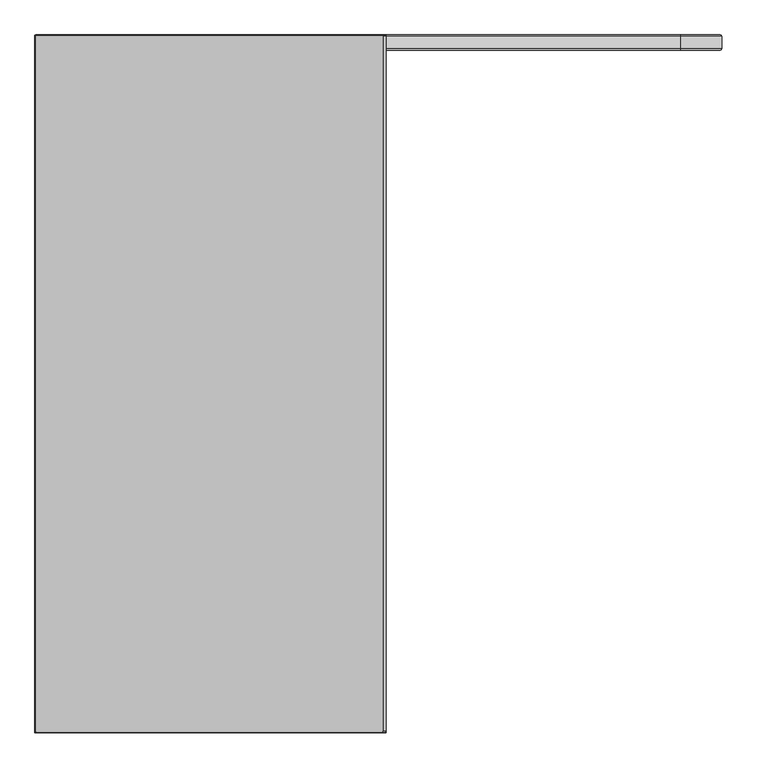
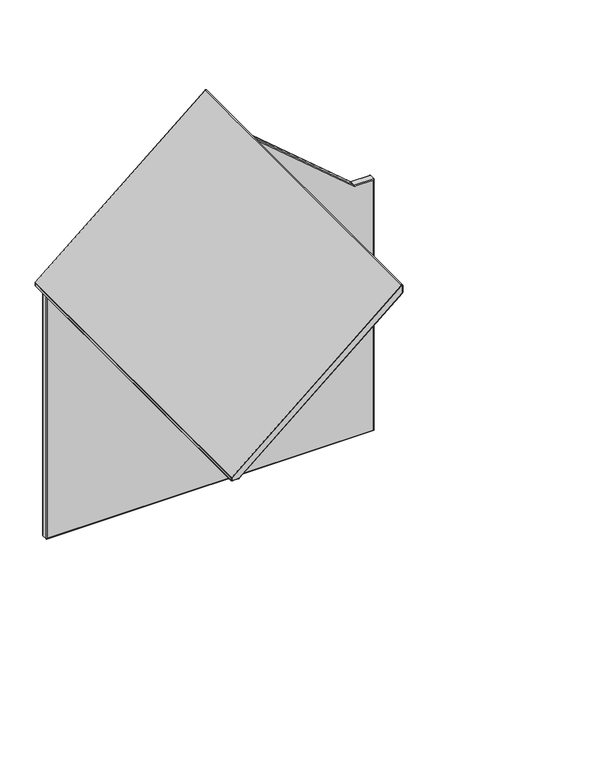
"""IFC4 building model written with IfcOpenShell, lengths in millimetres: furniture geometry."""

from ifc_helpers import new_model, si_unit, point, frame, origin, place, context, project, spatial, circle_curve, ellipse_curve, trimmed, source, transform, mapped, element, save
from ifc_brep_helpers import plane_surface, cylinder_surface, revolved_surface, advanced_brep


def furniture_57dd7f49(model_context):
    return source(origin(), model_context, "Body", "AdvancedBrep", [
        advanced_brep(
        [(0.0, -1868.1268362, 1476.2476814), (1.7353275, -1868.1268362, 1479.994983), (1.7353275, -1866.18391, 1479.994983), (0.0, -1866.18391, 1476.2476814), (2.0258238, -1870.15266, 1476.2476814), (3.0457039, -1870.15266, 1478.4500314), (0.0, -6.1839998, 1476.2476814), (0.0, -4.2410736, 1476.2476814), (0.0, -4.2410736, 1463.9687321), (0.0, -6.1839998, 1463.9687321), (0.0, -1866.18391, 1463.9687321), (0.0, -1868.1268362, 1463.9687321), (2.0258238, -1870.15266, 1463.9687321), (3.96875, -1866.18391, 1459.9999821), (3.96875, -1868.1268362, 1459.9999821), (3.96875, -1870.15266, 1462.0258058), (3.96875, -6.1839998, 1459.9999821), (3.96875, -4.2410736, 1459.9999821), (37.773583, -4.2410736, 1459.9999821), (37.773583, -6.1839998, 1459.9999821), (37.773583, -1866.18391, 1459.9999821), (37.773583, -1868.1268362, 1459.9999821), (37.773583, -1870.15266, 1462.0258058), (41.6970833, -1866.18391, 1461.4397984), (41.6970833, -1868.1268362, 1461.4397984), (40.3867071, -1870.15266, 1462.9847503), (41.6970833, -6.1839998, 1461.4397984), (41.6970833, -4.2410736, 1461.4397984), (938.0299284, -4.2410736, 2221.6791375), (938.0299284, -6.1839998, 2221.6791375), (938.0299284, -1866.18391, 2221.6791375), (938.0299284, -1868.1268362, 2221.6791375), (936.7195522, -1870.15266, 2223.2240894), (940.0000362, -1866.18391, 2225.9334278), (940.0000362, -1868.1268362, 2225.9334278), (937.9742125, -1870.15266, 2225.9334278), (940.0000362, -6.1839998, 2225.9334278), (940.0000362, -4.2410736, 2225.9334278), (940.0000362, -4.2410736, 2264.8850275), (940.0000362, -6.1839998, 2264.8850275), (940.0000362, -1866.18391, 2264.8850275), (940.0000362, -1868.1268362, 2264.8850275), (937.9742125, -1870.15266, 2264.8850275), (931.6761502, -1866.18391, 2268.7397128), (931.6761502, -1868.1268362, 2268.7397128), (932.9865266, -1870.15266, 2267.1947612), (931.6761502, -6.1839998, 2268.7397128), (931.6761502, -4.2410736, 2268.7397128), (1.7353275, -4.2410736, 1479.994983), (1.7353275, -6.1839998, 1479.994983), (2.0258238, -2.2152498, 1476.2476814), (3.0457039, -2.2152498, 1478.4500314), (932.9865266, -2.2152498, 2267.1947612), (937.9742125, -2.2152498, 2264.8850275), (937.9742125, -2.2152498, 2225.9334278), (936.7195522, -2.2152498, 2223.2240894), (40.3867071, -2.2152498, 1462.9847503), (37.773583, -2.2152498, 1462.0258058), (3.96875, -2.2152498, 1462.0258058), (2.0258238, -2.2152498, 1463.9687321)],
        [
            (0, 1, circle_curve(frame((4.9136635, -1868.1268362, 1476.2476814), z_axis=(0.0, 1.0, 0.0), x_axis=(-0.6468363156287652, 0.0, 0.7626288617563621)), 4.9136635)),
            (1, 2),
            (2, 3, circle_curve(frame((4.9136635, -1866.18391, 1476.2476814), z_axis=(0.0, -1.0, 0.0), x_axis=(-0.6468363156287652, 0.0, 0.7626288617563621)), 4.9136635)),
            (3, 0),
            (0, 4, circle_curve(frame((2.0258238, -1868.1268362, 1476.2476814), z_axis=(0.0, 0.0, 1.0), x_axis=(1.0, 0.0, 0.0)), 2.0258238)),
            (4, 5, circle_curve(frame((4.9136635, -1870.15266, 1476.2476814), z_axis=(0.0, 1.0, 0.0), x_axis=(-0.6468363156287652, 0.0, 0.7626288617563621)), 2.8878397)),
            (5, 1, circle_curve(frame((3.0457039, -1868.1268362, 1478.4500314), z_axis=(-0.762628861756362, 0.0, -0.6468363156287653), x_axis=(0.6468363156287653, 0.0, -0.762628861756362)), 2.0258238)),
            (3, 6),
            (6, 7),
            (7, 8),
            (8, 9),
            (9, 10),
            (10, 11),
            (11, 0),
            (11, 12, circle_curve(frame((2.0258238, -1868.1268362, 1463.9687321), z_axis=(0.0, 0.0, 1.0), x_axis=(1.0, 0.0, 0.0)), 2.0258238)),
            (12, 4),
            (10, 13, circle_curve(frame((3.96875, -1866.18391, 1463.9687321), z_axis=(0.0, -1.0, 0.0), x_axis=(-1.0, 0.0, 0.0)), 3.96875)),
            (13, 14),
            (14, 11, circle_curve(frame((3.96875, -1868.1268362, 1463.9687321), z_axis=(0.0, 1.0, 0.0), x_axis=(-1.0, 0.0, 0.0)), 3.96875)),
            (14, 15, circle_curve(frame((3.96875, -1868.1268362, 1462.0258058), z_axis=(-1.0, 0.0, 0.0), x_axis=(0.0, 0.0, 1.0)), 2.0258238)),
            (15, 12, circle_curve(frame((3.96875, -1870.15266, 1463.9687321), z_axis=(0.0, 1.0, 0.0), x_axis=(-1.0, 0.0, 0.0)), 1.9429262)),
            (13, 16),
            (16, 17),
            (17, 18),
            (18, 19),
            (19, 20),
            (20, 21),
            (21, 14),
            (21, 22, circle_curve(frame((37.773583, -1868.1268362, 1462.0258058), z_axis=(-1.0, 0.0, 0.0), x_axis=(0.0, 0.0, 1.0)), 2.0258238)),
            (22, 15),
            (20, 23, circle_curve(frame((37.773583, -1866.18391, 1466.0656603), z_axis=(0.0, -1.0, 0.0), x_axis=(0.0, 0.0, -1.0)), 6.0656783)),
            (23, 24),
            (24, 21, circle_curve(frame((37.773583, -1868.1268362, 1466.0656603), z_axis=(0.0, 1.0, 0.0), x_axis=(0.0, 0.0, -1.0)), 6.0656783)),
            (24, 25, circle_curve(frame((40.3867071, -1868.1268362, 1462.9847503), z_axis=(-0.7626289571119993, 0.0, -0.646836203203148), x_axis=(-0.646836203203148, 0.0, 0.7626289571119993)), 2.0258238)),
            (25, 22, circle_curve(frame((37.773583, -1870.15266, 1466.0656603), z_axis=(0.0, 1.0, 0.0), x_axis=(0.0, 0.0, -1.0)), 4.0398545)),
            (23, 26),
            (26, 27),
            (27, 28),
            (28, 29),
            (29, 30),
            (30, 31),
            (31, 24),
            (31, 32, circle_curve(frame((936.7195522, -1868.1268362, 2223.2240894), z_axis=(-0.7626289571120237, 0.0, -0.6468362032031196), x_axis=(-0.6468362032031195, 0.0, 0.7626289571120235)), 2.0258238)),
            (32, 25),
            (30, 33, circle_curve(frame((934.4215826, -1866.18391, 2225.9334278), z_axis=(0.0, -1.0, 0.0), x_axis=(0.6468362032031121, 0.0, -0.7626289571120298)), 5.5784536)),
            (33, 34),
            (34, 31, circle_curve(frame((934.4215826, -1868.1268362, 2225.9334278), z_axis=(0.0, 1.0, 0.0), x_axis=(0.6468362032031121, 0.0, -0.7626289571120298)), 5.5784536)),
            (34, 35, circle_curve(frame((937.9742125, -1868.1268362, 2225.9334278), z_axis=(0.0, 0.0, -0.9999999999999999), x_axis=(-0.9999999999999999, 0.0, 0.0)), 2.0258238)),
            (35, 32, circle_curve(frame((934.4215826, -1870.15266, 2225.9334278), z_axis=(0.0, 1.0, 0.0), x_axis=(0.6468362032031121, 0.0, -0.7626289571120298)), 3.5526298)),
            (33, 36),
            (36, 37),
            (37, 38),
            (38, 39),
            (39, 40),
            (40, 41),
            (41, 34),
            (41, 42, circle_curve(frame((937.9742125, -1868.1268362, 2264.8850275), z_axis=(0.0, 0.0, -1.0), x_axis=(-1.0, 0.0, 0.0)), 2.0258238)),
            (42, 35),
            (40, 43, circle_curve(frame((934.9455655, -1866.18391, 2264.8850275), z_axis=(0.0, -1.0, 0.0), x_axis=(1.0, 0.0, 0.0)), 5.0544708)),
            (43, 44),
            (44, 41, circle_curve(frame((934.9455655, -1868.1268362, 2264.8850275), z_axis=(0.0, 1.0, 0.0), x_axis=(1.0, 0.0, 0.0)), 5.0544708)),
            (44, 45, circle_curve(frame((932.9865266, -1868.1268362, 2267.1947612), z_axis=(0.7626288617564152, 0.0, 0.6468363156287026), x_axis=(0.6468363156287026, 0.0, -0.7626288617564152)), 2.0258238)),
            (45, 42, circle_curve(frame((934.9455655, -1870.15266, 2264.8850275), z_axis=(0.0, 1.0, 0.0), x_axis=(1.0, 0.0, 0.0)), 3.028647)),
            (1, 44),
            (43, 46),
            (46, 47),
            (47, 48),
            (48, 49),
            (49, 2),
            (5, 45),
            (9, 16, circle_curve(frame((3.96875, -6.1839998, 1463.9687321), z_axis=(0.0, -1.0, 0.0), x_axis=(1.0, 0.0, 0.0)), 3.96875)),
            (19, 26, circle_curve(frame((37.773583, -6.1839998, 1466.0656603), z_axis=(0.0, -1.0, 0.0), x_axis=(1.0, 0.0, 0.0)), 6.0656783)),
            (29, 36, circle_curve(frame((934.4215826, -6.1839998, 2225.9334278), z_axis=(0.0, -1.0, 0.0), x_axis=(1.0, 0.0, 0.0)), 5.5784536)),
            (39, 46, circle_curve(frame((934.9455655, -6.1839998, 2264.8850275), z_axis=(0.0, -1.0, 0.0), x_axis=(1.0, 0.0, 0.0)), 5.0544708)),
            (49, 6, circle_curve(frame((4.9136635, -6.1839998, 1476.2476814), z_axis=(0.0, -1.0, 0.0), x_axis=(1.0, 0.0, 0.0)), 4.9136635)),
            (50, 51, circle_curve(frame((4.9136635, -2.2152498, 1476.2476814), z_axis=(0.0, 1.0, 0.0), x_axis=(-0.6468363156287614, 0.0, 0.7626288617563652)), 2.8878397)),
            (51, 52),
            (52, 53, circle_curve(frame((934.9455655, -2.2152498, 2264.8850275), z_axis=(0.0, 1.0, 0.0), x_axis=(1.0, 0.0, 0.0)), 3.028647)),
            (53, 54),
            (54, 55, circle_curve(frame((934.4215826, -2.2152498, 2225.9334278), z_axis=(0.0, 1.0, 0.0), x_axis=(0.6468362032031121, 0.0, -0.7626289571120298)), 3.5526298)),
            (55, 56),
            (56, 57, circle_curve(frame((37.773583, -2.2152498, 1466.0656603), z_axis=(0.0, 1.0, 0.0), x_axis=(0.0, 0.0, -1.0)), 4.0398545)),
            (57, 58),
            (58, 59, circle_curve(frame((3.96875, -2.2152498, 1463.9687321), z_axis=(0.0, 1.0, 0.0), x_axis=(-1.0, 0.0, 0.0)), 1.9429262)),
            (59, 50),
            (48, 7, circle_curve(frame((4.9136635, -4.2410736, 1476.2476814), z_axis=(0.0, -1.0, 0.0), x_axis=(-0.6468363156287614, 0.0, 0.7626288617563652)), 4.9136635)),
            (48, 51, circle_curve(frame((3.0457039, -4.2410736, 1478.4500314), z_axis=(-0.7626288617563652, 0.0, -0.6468363156287614), x_axis=(0.6468363156287614, 0.0, -0.7626288617563652)), 2.0258238)),
            (50, 7, circle_curve(frame((2.0258238, -4.2410736, 1476.2476814), z_axis=(0.0, 0.0, 1.0), x_axis=(1.0, 0.0, 0.0)), 2.0258238)),
            (59, 8, circle_curve(frame((2.0258238, -4.2410736, 1463.9687321), z_axis=(0.0, 0.0, 1.0), x_axis=(1.0, 0.0, 0.0)), 2.0258238)),
            (8, 17, circle_curve(frame((3.96875, -4.2410736, 1463.9687321), z_axis=(0.0, -1.0, 0.0), x_axis=(-1.0, 0.0, 0.0)), 3.96875)),
            (58, 17, circle_curve(frame((3.96875, -4.2410736, 1462.0258058), z_axis=(-1.0, 0.0, 0.0), x_axis=(0.0, 0.0, 1.0)), 2.0258238)),
            (57, 18, circle_curve(frame((37.773583, -4.2410736, 1462.0258058), z_axis=(-1.0, 0.0, 0.0), x_axis=(0.0, 0.0, 1.0)), 2.0258238)),
            (18, 27, circle_curve(frame((37.773583, -4.2410736, 1466.0656603), z_axis=(0.0, -1.0, 0.0), x_axis=(0.0, 0.0, -1.0)), 6.0656783)),
            (56, 27, circle_curve(frame((40.3867071, -4.2410736, 1462.9847503), z_axis=(-0.7626289571120222, 0.0, -0.6468362032031212), x_axis=(-0.6468362032031212, 0.0, 0.7626289571120222)), 2.0258238)),
            (55, 28, circle_curve(frame((936.7195522, -4.2410736, 2223.2240894), z_axis=(-0.7626289571120238, 0.0, -0.6468362032031193), x_axis=(-0.6468362032031193, 0.0, 0.7626289571120238)), 2.0258238)),
            (28, 37, circle_curve(frame((934.4215826, -4.2410736, 2225.9334278), z_axis=(0.0, -1.0, 0.0), x_axis=(0.6468362032031121, 0.0, -0.7626289571120298)), 5.5784536)),
            (54, 37, circle_curve(frame((937.9742125, -4.2410736, 2225.9334278), z_axis=(0.0, 0.0, -1.0), x_axis=(-1.0, 0.0, 0.0)), 2.0258238)),
            (53, 38, circle_curve(frame((937.9742125, -4.2410736, 2264.8850275), z_axis=(0.0, 0.0, -1.0), x_axis=(-1.0, 0.0, 0.0)), 2.0258238)),
            (38, 47, circle_curve(frame((934.9455655, -4.2410736, 2264.8850275), z_axis=(0.0, -1.0, 0.0), x_axis=(1.0, 0.0, 0.0)), 5.0544708)),
            (52, 47, circle_curve(frame((932.9865266, -4.2410736, 2267.1947612), z_axis=(0.7626288617564162, 0.0, 0.6468363156287013), x_axis=(0.6468363156287013, 0.0, -0.7626288617564162)), 2.0258238)),
        ],
        [
            cylinder_surface(frame((4.9136635, -1866.18391, 1476.2476814), z_axis=(0.0, -1.0, 0.0), x_axis=(-0.6468363156287652, 0.0, 0.7626288617563621)), 4.9136635),
            revolved_surface(trimmed(ellipse_curve(frame((3.0457039, -1868.1268362, 1478.4500314), z_axis=(0.762628861756362, 0.0, 0.6468363156287653), x_axis=(0.6468363156287653, 0.0, -0.762628861756362)), 2.0258238, 2.0258238), [point((1.7353275, -1868.1268362, 1479.994983))], [point((3.0457039, -1870.15266, 1478.4500314))], True, "CARTESIAN"), (4.9136635, -1866.18391, 1476.2476814), (0.0, -1.0, 0.0)),
            plane_surface(frame((0.0, -1866.18391, 1476.2476814), z_axis=(-1.0, 0.0, 0.0), x_axis=(0.0, 0.0, -1.0))),
            cylinder_surface(frame((2.0258238, -1868.1268362, 1476.2476814), z_axis=(0.0, 0.0, 1.0), x_axis=(1.0, 0.0, 0.0)), 2.0258238),
            cylinder_surface(frame((3.96875, -1866.18391, 1463.9687321), z_axis=(0.0, -1.0, 0.0), x_axis=(-1.0, 0.0, 0.0)), 3.96875),
            revolved_surface(trimmed(ellipse_curve(frame((2.0258238, -1868.1268362, 1463.9687321), z_axis=(0.0, 0.0, 1.0), x_axis=(1.0, 0.0, 0.0)), 2.0258238, 2.0258238), [point((0.0, -1868.1268362, 1463.9687321))], [point((2.0258238, -1870.15266, 1463.9687321))], True, "CARTESIAN"), (3.96875, -1866.18391, 1463.9687321), (0.0, -1.0, 0.0)),
            plane_surface(frame((3.96875, -1866.18391, 1459.9999821), z_axis=(0.0, 0.0, -1.0), x_axis=(1.0, 0.0, 0.0))),
            cylinder_surface(frame((3.96875, -1868.1268362, 1462.0258058), z_axis=(-1.0, 0.0, 0.0), x_axis=(0.0, 0.0, 1.0)), 2.0258238),
            cylinder_surface(frame((37.773583, -1866.18391, 1466.0656603), z_axis=(0.0, -1.0, 0.0), x_axis=(0.0, 0.0, -1.0)), 6.0656783),
            revolved_surface(trimmed(ellipse_curve(frame((37.773583, -1868.1268362, 1462.0258058), z_axis=(-1.0, 0.0, 0.0), x_axis=(0.0, 0.0, 1.0)), 2.0258238, 2.0258238), [point((37.773583, -1868.1268362, 1459.9999821))], [point((37.773583, -1870.15266, 1462.0258058))], True, "CARTESIAN"), (37.773583, -1866.18391, 1466.0656603), (0.0, -1.0, 0.0)),
            plane_surface(frame((41.6970833, -1866.18391, 1461.4397984), z_axis=(0.6468362032031193, 0.0, -0.7626289571120237), x_axis=(0.7626289571120237, 0.0, 0.6468362032031193))),
            cylinder_surface(frame((40.3867071, -1868.1268362, 1462.9847503), z_axis=(-0.7626289571120235, 0.0, -0.6468362032031195), x_axis=(-0.6468362032031195, 0.0, 0.7626289571120235)), 2.0258238),
            cylinder_surface(frame((934.4215826, -1866.18391, 2225.9334278), z_axis=(0.0, -1.0, 0.0), x_axis=(0.6468362032031121, 0.0, -0.7626289571120298)), 5.5784536),
            revolved_surface(trimmed(ellipse_curve(frame((936.7195522, -1868.1268362, 2223.2240894), z_axis=(-0.7626289571120297, 0.0, -0.6468362032031122), x_axis=(-0.6468362032031122, 0.0, 0.7626289571120297)), 2.0258238, 2.0258238), [point((938.0299284, -1868.1268362, 2221.6791375))], [point((936.7195522, -1870.15266, 2223.2240894))], True, "CARTESIAN"), (934.4215826, -1866.18391, 2225.9334278), (0.0, -1.0, 0.0)),
            plane_surface(frame((940.0000362, -1866.18391, 2225.9334278), z_axis=(1.0, 0.0, 0.0), x_axis=(0.0, 0.0, 1.0))),
            cylinder_surface(frame((937.9742125, -1868.1268362, 2225.9334278), z_axis=(0.0, 0.0, -1.0), x_axis=(-1.0, 0.0, 0.0)), 2.0258238),
            cylinder_surface(frame((934.9455655, -1866.18391, 2264.8850275), z_axis=(0.0, -1.0, 0.0), x_axis=(1.0, 0.0, 0.0)), 5.0544708),
            revolved_surface(trimmed(ellipse_curve(frame((937.9742125, -1868.1268362, 2264.8850275), z_axis=(0.0, 0.0, -1.0), x_axis=(-1.0, 0.0, 0.0)), 2.0258238, 2.0258238), [point((940.0000362, -1868.1268362, 2264.8850275))], [point((937.9742125, -1870.15266, 2264.8850275))], True, "CARTESIAN"), (934.9455655, -1866.18391, 2264.8850275), (0.0, -1.0, 0.0)),
            plane_surface(frame((931.6761502, -1866.18391, 2268.7397128), z_axis=(-0.6468363156287368, 0.0, 0.7626288617563862), x_axis=(-0.7626288617563862, 0.0, -0.6468363156287368))),
            cylinder_surface(frame((932.9865266, -1868.1268362, 2267.1947612), z_axis=(0.762628861756386, 0.0, 0.646836315628737), x_axis=(0.646836315628737, 0.0, -0.762628861756386)), 2.0258238),
            plane_surface(frame((932.9865266, -1870.15266, 2267.1947612), z_axis=(0.0, -1.0000000000000002, 0.0), x_axis=(-0.7626288617563861, 0.0, -0.646836315628737))),
            cylinder_surface(frame((3.96875, -6.1839998, 1463.9687321), z_axis=(0.0, -1.0, 0.0), x_axis=(1.0, 0.0, 0.0)), 3.96875),
            cylinder_surface(frame((37.773583, -6.1839998, 1466.0656603), z_axis=(0.0, -1.0, 0.0), x_axis=(1.0, 0.0, 0.0)), 6.0656783),
            cylinder_surface(frame((934.4215826, -6.1839998, 2225.9334278), z_axis=(0.0, -1.0, 0.0), x_axis=(1.0, 0.0, 0.0)), 5.5784536),
            cylinder_surface(frame((934.9455655, -6.1839998, 2264.8850275), z_axis=(0.0, -1.0, 0.0), x_axis=(1.0, 0.0, 0.0)), 5.0544708),
            cylinder_surface(frame((4.9136635, -6.1839998, 1476.2476814), z_axis=(0.0, -1.0, 0.0), x_axis=(1.0, 0.0, 0.0)), 4.9136635),
            plane_surface(frame((935.8476724, -2.2152498, 2224.2520479), z_axis=(0.0, 1.0, 0.0), x_axis=(-0.7626289571120236, 0.0, -0.6468362032031195))),
            cylinder_surface(frame((4.9136635, -6.1839998, 1476.2476814), z_axis=(0.0, -1.0, 0.0), x_axis=(-0.6468363156287614, 0.0, 0.7626288617563652)), 4.9136635),
            revolved_surface(trimmed(ellipse_curve(frame((3.0457039, -4.2410736, 1478.4500314), z_axis=(0.7626288617563652, 0.0, 0.6468363156287614), x_axis=(0.6468363156287614, 0.0, -0.7626288617563652)), 2.0258238, 2.0258238), [point((3.0457039, -2.2152498, 1478.4500314))], [point((1.7353275, -4.2410736, 1479.994983))], True, "CARTESIAN"), (4.9136635, -6.1839998, 1476.2476814), (0.0, -1.0, 0.0)),
            cylinder_surface(frame((2.0258238, -4.2410736, 1476.2476814), z_axis=(0.0, 0.0, 1.0), x_axis=(1.0, 0.0, 0.0)), 2.0258238),
            cylinder_surface(frame((3.96875, -6.1839998, 1463.9687321), z_axis=(0.0, -1.0, 0.0), x_axis=(-1.0, 0.0, 0.0)), 3.96875),
            revolved_surface(trimmed(ellipse_curve(frame((2.0258238, -4.2410736, 1463.9687321), z_axis=(0.0, 0.0, 1.0), x_axis=(1.0, 0.0, 0.0)), 2.0258238, 2.0258238), [point((2.0258238, -2.2152498, 1463.9687321))], [point((0.0, -4.2410736, 1463.9687321))], True, "CARTESIAN"), (3.96875, -6.1839998, 1463.9687321), (0.0, -1.0, 0.0)),
            cylinder_surface(frame((3.96875, -4.2410736, 1462.0258058), z_axis=(-1.0, 0.0, 0.0), x_axis=(0.0, 0.0, 1.0)), 2.0258238),
            cylinder_surface(frame((37.773583, -6.1839998, 1466.0656603), z_axis=(0.0, -1.0, 0.0), x_axis=(0.0, 0.0, -1.0)), 6.0656783),
            revolved_surface(trimmed(ellipse_curve(frame((37.773583, -4.2410736, 1462.0258058), z_axis=(-1.0, 0.0, 0.0), x_axis=(0.0, 0.0, 1.0)), 2.0258238, 2.0258238), [point((37.773583, -2.2152498, 1462.0258058))], [point((37.773583, -4.2410736, 1459.9999821))], True, "CARTESIAN"), (37.773583, -6.1839998, 1466.0656603), (0.0, -1.0, 0.0)),
            cylinder_surface(frame((40.3867071, -4.2410736, 1462.9847503), z_axis=(-0.7626289571120238, 0.0, -0.6468362032031193), x_axis=(-0.6468362032031193, 0.0, 0.7626289571120238)), 2.0258238),
            cylinder_surface(frame((934.4215826, -6.1839998, 2225.9334278), z_axis=(0.0, -1.0, 0.0), x_axis=(0.6468362032031121, 0.0, -0.7626289571120298)), 5.5784536),
            revolved_surface(trimmed(ellipse_curve(frame((936.7195522, -4.2410736, 2223.2240894), z_axis=(-0.7626289571120299, 0.0, -0.6468362032031119), x_axis=(-0.6468362032031119, 0.0, 0.7626289571120299)), 2.0258238, 2.0258238), [point((936.7195522, -2.2152498, 2223.2240894))], [point((938.0299284, -4.2410736, 2221.6791375))], True, "CARTESIAN"), (934.4215826, -6.1839998, 2225.9334278), (0.0, -1.0, 0.0)),
            cylinder_surface(frame((937.9742125, -4.2410736, 2225.9334278), z_axis=(0.0, 0.0, -1.0), x_axis=(-1.0, 0.0, 0.0)), 2.0258238),
            revolved_surface(trimmed(ellipse_curve(frame((937.9742125, -4.2410736, 2264.8850275), z_axis=(0.0, 0.0, -1.0), x_axis=(-1.0, 0.0, 0.0)), 2.0258238, 2.0258238), [point((937.9742125, -2.2152498, 2264.8850275))], [point((940.0000362, -4.2410736, 2264.8850275))], True, "CARTESIAN"), (934.9455655, -6.1839998, 2264.8850275), (0.0, -1.0, 0.0)),
            cylinder_surface(frame((932.9865266, -4.2410736, 2267.1947612), z_axis=(0.7626288617563863, 0.0, 0.6468363156287368), x_axis=(0.6468363156287368, 0.0, -0.7626288617563863)), 2.0258238),
        ],
        [
            (0, [[1, 2, 3, 4]]),
            (1, [[-1, 5, 6, 7]]),
            (2, [[-4, 8, 9, 10, 11, 12, 13, 14]]),
            (3, [[-5, -14, 15, 16]]),
            (4, [[-13, 17, 18, 19]]),
            (5, [[-15, -19, 20, 21]]),
            (6, [[-18, 22, 23, 24, 25, 26, 27, 28]]),
            (7, [[-20, -28, 29, 30]]),
            (8, [[-27, 31, 32, 33]]),
            (9, [[-29, -33, 34, 35]]),
            (10, [[-32, 36, 37, 38, 39, 40, 41, 42]]),
            (11, [[-34, -42, 43, 44]]),
            (12, [[-41, 45, 46, 47]]),
            (13, [[-43, -47, 48, 49]]),
            (14, [[-46, 50, 51, 52, 53, 54, 55, 56]]),
            (15, [[-48, -56, 57, 58]]),
            (16, [[-55, 59, 60, 61]]),
            (17, [[-57, -61, 62, 63]]),
            (18, [[-2, 64, -60, 65, 66, 67, 68, 69]]),
            (19, [[-7, 70, -62, -64]]),
            (20, [[-6, -16, -21, -30, -35, -44, -49, -58, -63, -70]]),
            (21, [[-12, 71, -22, -17]]),
            (22, [[-26, 72, -36, -31]]),
            (23, [[-40, 73, -50, -45]]),
            (24, [[-54, 74, -65, -59]]),
            (25, [[-69, 75, -8, -3]]),
            (26, [[76, 77, 78, 79, 80, 81, 82, 83, 84, 85]]),
            (27, [[-68, 86, -9, -75]]),
            (28, [[-86, 87, -76, 88]]),
            (29, [[-88, -85, 89, -10]]),
            (30, [[-11, 90, -23, -71]]),
            (31, [[-89, -84, 91, -90]]),
            (32, [[-91, -83, 92, -24]]),
            (33, [[-25, 93, -37, -72]]),
            (34, [[-92, -82, 94, -93]]),
            (35, [[-94, -81, 95, -38]]),
            (36, [[-39, 96, -51, -73]]),
            (37, [[-95, -80, 97, -96]]),
            (38, [[-97, -79, 98, -52]]),
            (24, [[-53, 99, -66, -74]]),
            (39, [[-98, -78, 100, -99]]),
            (40, [[-87, -67, -100, -77]]),
        ],
    ),
        advanced_brep(
        [(1729.6212947, -38.7095386, 1458.9687466), (1728.1650089, -42.6782886, 1454.9999966), (1835.0000576, -42.6782886, 1454.9999966), (1838.9688076, -38.7095386, 1458.9687466), (1838.9688076, -6.1657886, 1458.9687466), (1729.6212947, -6.1657886, 1458.9687466), (1835.0000576, -2.1970386, 1454.9999966), (1728.1650089, -2.1970386, 1454.9999966), (1835.0000576, -42.6782886, 5.0000003), (1838.9688076, -38.7095386, 1.0312503), (1838.9688076, -6.1657886, 1.0312503), (1835.0000576, -2.1970386, 5.0000003), (45.0000013, -42.6782886, 5.0000003), (41.0312513, -38.7095386, 1.0312503), (41.0312513, -6.1657886, 1.0312503), (45.0000013, -2.1970386, 5.0000003), (45.0000013, -42.6782886, 1454.9999966), (41.0312513, -38.7095386, 1458.9687466), (41.0312513, -6.1657886, 1458.9687466), (45.0000013, -2.1970386, 1454.9999966), (151.8349909, -42.6782886, 1454.9999966), (150.3787052, -38.7095386, 1458.9687466), (150.3787052, -6.1657886, 1458.9687466), (151.8349909, -2.1970386, 1454.9999966), (940.0000362, -42.6782886, 2123.4131218), (940.0000364, -38.7095386, 2128.616893), (940.0000364, -6.1657886, 2128.616893), (940.0000362, -2.1970386, 2123.4131218)],
        [
            (0, 1, ellipse_curve(frame((1728.1650089, -38.7095386, 1454.9999966), z_axis=(0.9387939160823763, 0.0, -0.34447929274009526), x_axis=(-0.3444792927400953, 0.0, -0.9387939160823763)), 4.2274986, 3.96875)),
            (1, 2),
            (2, 3, ellipse_curve(frame((1835.0000576, -38.7095386, 1454.9999966), z_axis=(-0.7071067811865469, 0.0, 0.707106781186548), x_axis=(-0.7071067811865481, 0.0, -0.7071067811865468)), 5.6126601, 3.96875)),
            (3, 0),
            (3, 4),
            (4, 5),
            (5, 0),
            (4, 6, ellipse_curve(frame((1835.0000576, -6.1657886, 1454.9999966), z_axis=(-0.7071067811865469, 0.0, 0.707106781186548), x_axis=(-0.7071067811865481, 0.0, -0.7071067811865468)), 5.6126601, 3.96875)),
            (6, 7),
            (7, 5, ellipse_curve(frame((1728.1650089, -6.1657886, 1454.9999966), z_axis=(0.9387939160823763, 0.0, -0.34447929274009526), x_axis=(-0.3444792927400953, 0.0, -0.9387939160823763)), 4.2274986, 3.96875)),
            (2, 8),
            (8, 9, ellipse_curve(frame((1835.0000576, -38.7095386, 5.0000003), z_axis=(0.7071067811865493, 0.0, 0.7071067811865457), x_axis=(-0.7071067811865457, 0.0, 0.7071067811865495)), 5.6126601, 3.96875)),
            (9, 3),
            (9, 10),
            (10, 4),
            (10, 11, ellipse_curve(frame((1835.0000576, -6.1657886, 5.0000003), z_axis=(0.7071067811865493, 0.0, 0.7071067811865457), x_axis=(-0.7071067811865457, 0.0, 0.7071067811865495)), 5.6126601, 3.96875)),
            (11, 6),
            (8, 12),
            (12, 13, ellipse_curve(frame((45.0000013, -38.7095386, 5.0000003), z_axis=(0.7071067811865456, 0.0, -0.7071067811865496), x_axis=(0.7071067811865495, 0.0, 0.7071067811865456)), 5.6126601, 3.96875)),
            (13, 9),
            (13, 14),
            (14, 10),
            (14, 15, ellipse_curve(frame((45.0000013, -6.1657886, 5.0000003), z_axis=(0.7071067811865456, 0.0, -0.7071067811865496), x_axis=(0.7071067811865495, 0.0, 0.7071067811865456)), 5.6126601, 3.96875)),
            (15, 11),
            (12, 16),
            (16, 17, ellipse_curve(frame((45.0000013, -38.7095386, 1454.9999966), z_axis=(-0.7071067811865493, 0.0, -0.7071067811865458), x_axis=(0.7071067811865458, 0.0, -0.7071067811865492)), 5.6126601, 3.96875)),
            (17, 13),
            (17, 18),
            (18, 14),
            (18, 19, ellipse_curve(frame((45.0000013, -6.1657886, 1454.9999966), z_axis=(-0.7071067811865493, 0.0, -0.7071067811865458), x_axis=(0.7071067811865458, 0.0, -0.7071067811865492)), 5.6126601, 3.96875)),
            (19, 15),
            (16, 20),
            (20, 21, ellipse_curve(frame((151.8349909, -38.7095386, 1454.9999966), z_axis=(-0.9387939239161311, 0.0, -0.34447927139111495), x_axis=(-0.34447927139111495, 0.0, 0.9387939239161311)), 4.2274986, 3.96875)),
            (21, 17),
            (21, 22),
            (22, 18),
            (22, 23, ellipse_curve(frame((151.8349909, -6.1657886, 1454.9999966), z_axis=(-0.9387939239161311, 0.0, -0.34447927139111495), x_axis=(-0.34447927139111495, 0.0, 0.9387939239161311)), 4.2274986, 3.96875)),
            (23, 19),
            (20, 24),
            (24, 25, ellipse_curve(frame((940.0000362, -38.7095386, 2123.4131218), z_axis=(-0.9999999999999998, 0.0, 2.2740857778786807e-08), x_axis=(-2.274085794096256e-08, 0.0, -0.9999999999999997)), 5.2037712, 3.96875)),
            (25, 21),
            (25, 26),
            (26, 22),
            (26, 27, ellipse_curve(frame((940.0000362, -6.1657886, 2123.4131218), z_axis=(-0.9999999999999998, 0.0, 2.2740857778786807e-08), x_axis=(-2.274085794096256e-08, 0.0, -0.9999999999999997)), 5.2037712, 3.96875)),
            (27, 23),
            (0, 25),
            (24, 1),
            (5, 26),
            (7, 27),
        ],
        [
            cylinder_surface(frame((1728.1650089, -38.7095386, 1454.9999966), z_axis=(-1.0, 0.0, 0.0), x_axis=(0.0, 0.0, 1.0)), 3.96875),
            plane_surface(frame((1729.6212947, -38.7095386, 1458.9687466), z_axis=(0.0, 0.0, 1.0), x_axis=(1.0, 0.0, 0.0))),
            cylinder_surface(frame((1728.1650089, -6.1657886, 1454.9999966), z_axis=(-1.0, 0.0, 0.0), x_axis=(0.0, 0.0, 1.0)), 3.96875),
            cylinder_surface(frame((1835.0000576, -38.7095386, 1454.9999966), z_axis=(0.0, 0.0, 1.0), x_axis=(1.0, 0.0, 0.0)), 3.96875),
            plane_surface(frame((1838.9688076, -38.7095386, 1458.9687466), z_axis=(1.0, 0.0, 0.0), x_axis=(0.0, 0.0, -1.0))),
            cylinder_surface(frame((1835.0000576, -6.1657886, 1454.9999966), z_axis=(0.0, 0.0, 1.0), x_axis=(1.0, 0.0, 0.0)), 3.96875),
            cylinder_surface(frame((1835.0000576, -38.7095386, 5.0000003), z_axis=(1.0, 0.0, 0.0), x_axis=(0.0, 0.0, -1.0)), 3.96875),
            plane_surface(frame((1838.9688076, -38.7095386, 1.0312503), z_axis=(0.0, 0.0, -1.0), x_axis=(-1.0, 0.0, 0.0))),
            cylinder_surface(frame((1835.0000576, -6.1657886, 5.0000003), z_axis=(1.0, 0.0, 0.0), x_axis=(0.0, 0.0, -1.0)), 3.96875),
            cylinder_surface(frame((45.0000013, -38.7095386, 5.0000003), z_axis=(0.0, 0.0, -1.0), x_axis=(-1.0, 0.0, 0.0)), 3.96875),
            plane_surface(frame((41.0312513, -38.7095386, 1.0312503), z_axis=(-1.0, 0.0, 0.0), x_axis=(0.0, 0.0, 1.0))),
            cylinder_surface(frame((45.0000013, -6.1657886, 5.0000003), z_axis=(0.0, 0.0, -1.0), x_axis=(-1.0, 0.0, 0.0)), 3.96875),
            cylinder_surface(frame((45.0000013, -38.7095386, 1454.9999966), z_axis=(-1.0, 0.0, 0.0), x_axis=(0.0, 0.0, 1.0)), 3.96875),
            plane_surface(frame((41.0312513, -38.7095386, 1458.9687466), z_axis=(0.0, 0.0, 1.0), x_axis=(1.0, 0.0, 0.0))),
            cylinder_surface(frame((45.0000013, -6.1657886, 1454.9999966), z_axis=(-1.0, 0.0, 0.0), x_axis=(0.0, 0.0, 1.0)), 3.96875),
            cylinder_surface(frame((151.8349909, -38.7095386, 1454.9999966), z_axis=(-0.7626680631636914, 0.0, -0.6467900937940715), x_axis=(-0.6467900937940715, 0.0, 0.7626680631636914)), 3.96875),
            plane_surface(frame((150.3787052, -38.7095386, 1458.9687466), z_axis=(-0.6467900937940719, 0.0, 0.762668063163691), x_axis=(0.762668063163691, 0.0, 0.6467900937940719))),
            cylinder_surface(frame((151.8349909, -6.1657886, 1454.9999966), z_axis=(-0.7626680631636914, 0.0, -0.6467900937940715), x_axis=(-0.6467900937940715, 0.0, 0.7626680631636914)), 3.96875),
            cylinder_surface(frame((940.0000362, -38.7095386, 2123.4131218), z_axis=(-0.7626680337465674, 0.0, 0.6467901284815227), x_axis=(0.6467901284815227, 0.0, 0.7626680337465674)), 3.96875),
            plane_surface(frame((940.0000364, -38.7095386, 2128.616893), z_axis=(0.6467901284815224, 0.0, 0.7626680337465679), x_axis=(0.7626680337465679, 0.0, -0.6467901284815224))),
            cylinder_surface(frame((940.0000362, -6.1657886, 2123.4131218), z_axis=(-0.7626680337465674, 0.0, 0.6467901284815227), x_axis=(0.6467901284815227, 0.0, 0.7626680337465674)), 3.96875),
            plane_surface(frame((45.0000013, -42.6782886, 1454.9999966), z_axis=(0.0, -1.0, 0.0), x_axis=(-1.0, 0.0, 0.0))),
            plane_surface(frame((45.0000013, -2.1970386, 1454.9999966), z_axis=(0.0, 1.0, 0.0), x_axis=(1.0, 0.0, 0.0))),
        ],
        [
            (0, [[1, 2, 3, 4]]),
            (1, [[-4, 5, 6, 7]]),
            (2, [[-6, 8, 9, 10]]),
            (3, [[-3, 11, 12, 13]]),
            (4, [[-5, -13, 14, 15]]),
            (5, [[-8, -15, 16, 17]]),
            (6, [[-12, 18, 19, 20]]),
            (7, [[-14, -20, 21, 22]]),
            (8, [[-16, -22, 23, 24]]),
            (9, [[-19, 25, 26, 27]]),
            (10, [[-21, -27, 28, 29]]),
            (11, [[-23, -29, 30, 31]]),
            (12, [[-26, 32, 33, 34]]),
            (13, [[-28, -34, 35, 36]]),
            (14, [[-30, -36, 37, 38]]),
            (15, [[-33, 39, 40, 41]]),
            (16, [[-35, -41, 42, 43]]),
            (17, [[-37, -43, 44, 45]]),
            (18, [[-1, 46, -40, 47]]),
            (19, [[-7, 48, -42, -46]]),
            (20, [[-10, 49, -44, -48]]),
            (21, [[-2, -47, -39, -32, -25, -18, -11]]),
            (22, [[-9, -17, -24, -31, -38, -45, -49]]),
        ],
    ),
    ])


if __name__ == "__main__":
    model = new_model("IFC4")
    model_context = context("Model", 3, world=origin())
    ifc_project = project(units=[si_unit("LENGTHUNIT", "METRE", prefix="MILLI")], contexts=[model_context])
    site = spatial("IfcSite", under=ifc_project)
    building = spatial("IfcBuilding", under=site)
    placement = place(None, origin())
    furniture_shape = furniture_57dd7f49(model_context)
    element("IfcFurniture", 1, at=placement, inside=building, context=model_context, shape_type="MappedRepresentation", body=[
        mapped(furniture_shape, transform((0.0, 0.0, 0.0), x_axis=(1.0, 0.0, 0.0), y_axis=(0.0, 1.0, 0.0), z_axis=(0.0, 0.0, 1.0))),
    ])
    save(model, "model.ifc")
